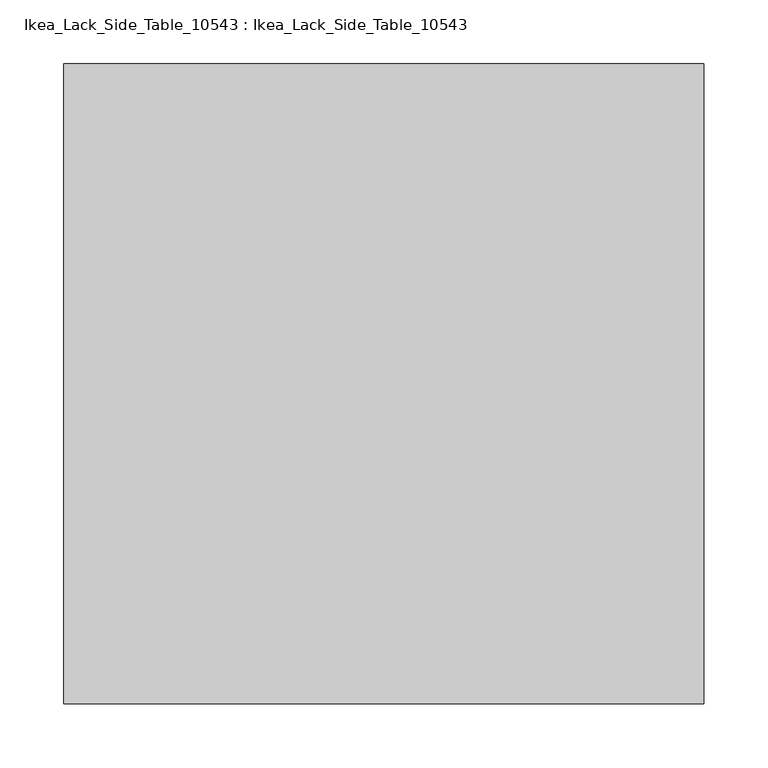
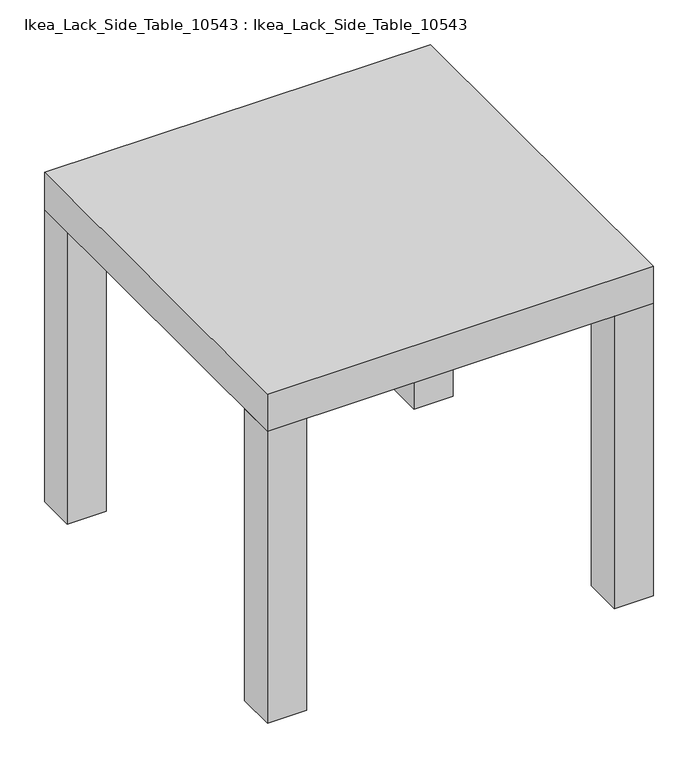
"""IFC4 building model written with IfcOpenShell, lengths in millimetres: furniture geometry, Ikea_Lack_Side_Table_10543 : Ikea_Lack_Side_Table_10543."""

from ifc_helpers import new_model, si_unit, frame, origin, origin_with_axes, place, context, project, spatial, polyline, outline, extrude, source, transform, mapped, element, save


def ikea_lack_side_table_10543_ikea_lack_side_table_10543_22b4a15b(model_context):
    return source(origin(), model_context, "Body", "SweptSolid", [
        extrude(outline(polyline([(225.3625, 225.3625), (225.3625, -274.6375), (-274.6375, -274.6375), (-274.6375, 225.3625), (225.3625, 225.3625)])), frame((0.0, 0.0, 400.05), z_axis=(0.0, 0.0, 1.0), x_axis=(1.0, 0.0, 0.0)), (0.0, 0.0, 1.0), 50.8),
        extrude(outline(polyline([(-223.8375, 225.3625), (-223.8375, 174.5625), (-274.6375, 174.5625), (-274.6375, 225.3625), (-223.8375, 225.3625)])), origin_with_axes(), (0.0, 0.0, 1.0), 400.05),
        extrude(outline(polyline([(225.3625, 225.3625), (225.3625, 174.5625), (174.5625, 174.5625), (174.5625, 225.3625), (225.3625, 225.3625)])), origin_with_axes(), (0.0, 0.0, 1.0), 400.05),
        extrude(outline(polyline([(-274.6375, -274.6375), (-274.6375, -223.8375), (-223.8375, -223.8375), (-223.8375, -274.6375), (-274.6375, -274.6375)])), origin_with_axes(), (0.0, 0.0, 1.0), 400.05),
        extrude(outline(polyline([(225.3625, -223.8375), (225.3625, -274.6375), (174.5625, -274.6375), (174.5625, -223.8375), (225.3625, -223.8375)])), origin_with_axes(), (0.0, 0.0, 1.0), 400.05),
    ])


if __name__ == "__main__":
    model = new_model("IFC4")
    model_context = context("Model", 3, world=origin())
    ifc_project = project(units=[si_unit("LENGTHUNIT", "METRE", prefix="MILLI")], contexts=[model_context])
    site = spatial("IfcSite", under=ifc_project)
    building = spatial("IfcBuilding", under=site)
    placement = place(None, origin())
    ikea_lack_side_table_10543_ikea_lack_side_table_10543_shape = ikea_lack_side_table_10543_ikea_lack_side_table_10543_22b4a15b(model_context)
    element("IfcFurniture", 1, ObjectType="Ikea_Lack_Side_Table_10543 : Ikea_Lack_Side_Table_10543", at=placement, inside=building, context=model_context, shape_type="MappedRepresentation", body=[
        mapped(ikea_lack_side_table_10543_ikea_lack_side_table_10543_shape, transform((0.0, 0.0, 0.0), x_axis=(1.0, 0.0, 0.0), y_axis=(0.0, 1.0, 0.0), z_axis=(0.0, 0.0, 1.0))),
    ])
    save(model, "model.ifc")
